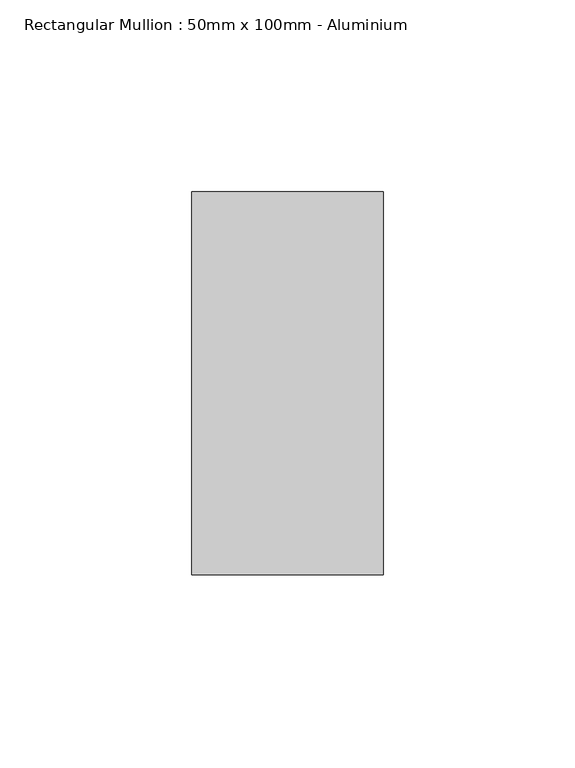
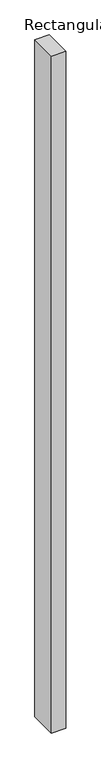
"""IFC4 building model written with IfcOpenShell, lengths in millimetres: member geometry, Rectangular Mullion : 50mm x 100mm - Aluminium."""

from ifc_helpers import new_model, si_unit, frame, origin, place, context, project, spatial, polyline, outline, extrude, source, transform, mapped, element, save


def rectangular_mullion_50mm_x_100mm_aluminium_94f1b10b(model_context):
    return source(origin(), model_context, "Body", "SweptSolid", [
        extrude(outline(polyline([(50.0, 50.0), (50.0, -50.0), (0.0, -50.0), (0.0, 50.0), (50.0, 50.0)])), frame((0.0, 0.0, -2500.0), z_axis=(0.0, 0.0, 1.0), x_axis=(1.0, 0.0, 0.0)), (0.0, 0.0, 1.0), 2500.0),
    ])


if __name__ == "__main__":
    model = new_model("IFC4")
    model_context = context("Model", 3, world=origin())
    ifc_project = project(units=[si_unit("LENGTHUNIT", "METRE", prefix="MILLI")], contexts=[model_context])
    site = spatial("IfcSite", under=ifc_project)
    building = spatial("IfcBuilding", under=site)
    placement = place(None, origin())
    rectangular_mullion_50mm_x_100mm_aluminium_shape = rectangular_mullion_50mm_x_100mm_aluminium_94f1b10b(model_context)
    element("IfcMember", 1, ObjectType="Rectangular Mullion : 50mm x 100mm - Aluminium", at=placement, inside=building, context=model_context, shape_type="MappedRepresentation", body=[
        mapped(rectangular_mullion_50mm_x_100mm_aluminium_shape, transform((0.0, 0.0, 0.0), x_axis=(1.0, 0.0, 0.0), y_axis=(0.0, 1.0, 0.0), z_axis=(0.0, 0.0, 1.0))),
    ])
    save(model, "model.ifc")
